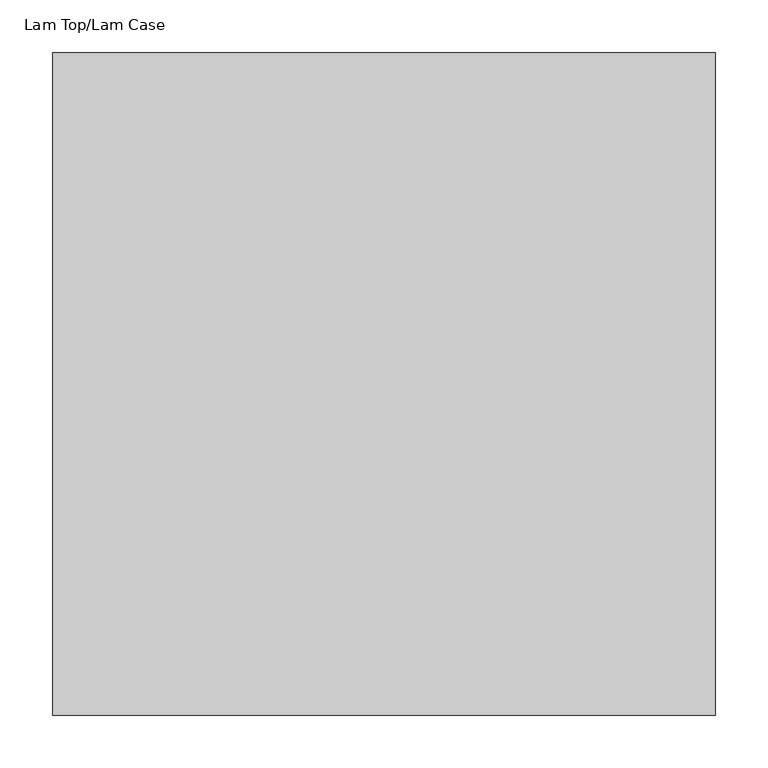
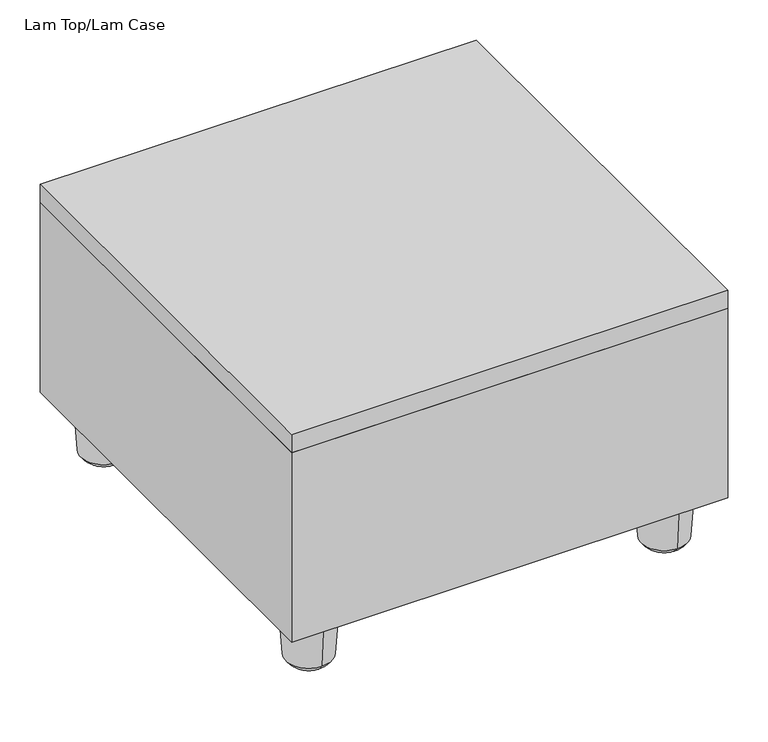
"""IFC4 building model written with IfcOpenShell, lengths in millimetres: furniture geometry, Lam Top/Lam Case."""

import ifcopenshell
import ifcopenshell.guid

model = None  # the IFC model being written
_history = None  # IfcOwnerHistory: only IFC2X3 demands one
_inside = {}  # id of a spatial element -> (the spatial element, [elements in it])
_under = {}  # id of a project, library or spatial element -> (it, [spatial elements below it])
_declared = {}  # id of a project -> (the project, [libraries it declares])
_typed = {}  # id of a type object -> (the type object, [elements of that type])
_made_of = {}  # id of a material, layer set ... -> (it, [elements and type objects made of it])


def new_model(schema):
    """Start an empty IFC model of exactly this schema.

    Asked for "IFC4X3", IfcOpenShell would pick the latest addendum, in which some entities
    have other attributes; the version numbers below select the first issue.
    IFC2X3 requires an IfcOwnerHistory on every rooted entity: one is made here for all.
    """
    global model, _history
    if schema == "IFC4X3":
        model = ifcopenshell.file(schema_version=(4, 3, 0, 0))
    else:
        model = ifcopenshell.file(schema=schema)
    _inside.clear()
    _under.clear()
    _declared.clear()
    _typed.clear()
    _made_of.clear()
    _history = None
    if model.schema == "IFC2X3":
        org = make("IfcOrganization", Name="unknown")
        user = make(
            "IfcPersonAndOrganization",
            ThePerson=make("IfcPerson", FamilyName="unknown"),
            TheOrganization=org,
        )
        app = make(
            "IfcApplication",
            ApplicationDeveloper=org,
            Version="unknown",
            ApplicationFullName="unknown",
            ApplicationIdentifier="unknown",
        )
        _history = make(
            "IfcOwnerHistory",
            OwningUser=user,
            OwningApplication=app,
            ChangeAction="ADDED",
            CreationDate=0,
        )
    return model


def make(cls, **values):
    """One entity of the class cls with the attributes given. An attribute that is None is left unset."""
    return model.create_entity(
        cls, **{name: value for name, value in values.items() if value is not None}
    )


def rooted(cls, **values):
    """An entity with a GlobalId (a new one), such as an element, a storey or a relation."""
    return make(cls, GlobalId=ifcopenshell.guid.new(), OwnerHistory=_history, **values)


def si_unit(unit_type, name, prefix=None):
    """IfcSIUnit, for example si_unit("LENGTHUNIT", "METRE", prefix="MILLI")."""
    return make("IfcSIUnit", UnitType=unit_type, Prefix=prefix, Name=name)


def assignment(units):
    """IfcUnitAssignment: the units of a project."""
    return None if units is None else make("IfcUnitAssignment", Units=units)


def point(xyz):
    """IfcCartesianPoint."""
    return None if xyz is None else make("IfcCartesianPoint", Coordinates=xyz)


def direction(xyz):
    """IfcDirection."""
    return None if xyz is None else make("IfcDirection", DirectionRatios=xyz)


def frame(location, z_axis=None, x_axis=None):
    """IfcAxis2Placement3D, a coordinate frame: its origin and axes. An axis left out is left unset."""
    return make(
        "IfcAxis2Placement3D",
        Location=point(location),
        Axis=direction(z_axis),
        RefDirection=direction(x_axis),
    )


def origin():
    """The frame at (0, 0, 0) with its axes left unset."""
    return frame((0.0, 0.0, 0.0))


def place(relative_to, where):
    """IfcLocalPlacement: puts the frame where relative to a parent placement (None: the world)."""
    return make(
        "IfcLocalPlacement", PlacementRelTo=relative_to, RelativePlacement=where
    )


def context(
    kind, dimensions, precision=None, world=None, true_north=None, identifier=None
):
    """IfcGeometricRepresentationContext, for example the 3D "Model" context."""
    return make(
        "IfcGeometricRepresentationContext",
        ContextIdentifier=identifier,
        ContextType=kind,
        CoordinateSpaceDimension=dimensions,
        Precision=precision,
        WorldCoordinateSystem=world,
        TrueNorth=true_north,
    )


def project(units=None, contexts=None):
    """IfcProject with its units and contexts."""
    return rooted(
        "IfcProject",
        Name="project",
        RepresentationContexts=contexts,
        UnitsInContext=assignment(units),
    )


def spatial(cls, under=None, at=None, **own):
    """A site, building, storey or space (cls), placed at a placement, below another one or the project."""
    s = rooted(cls, ObjectPlacement=at, **own)
    if under is not None:
        _under.setdefault(under.id(), (under, []))[1].append(s)
    return s


def polyline(points):
    """IfcPolyline through the points."""
    return make("IfcPolyline", Points=[point(p) for p in points])


def circle_curve(where, radius):
    """IfcCircle in the frame where."""
    return make("IfcCircle", Position=where, Radius=radius)


def ellipse_curve(where, semi_axis1, semi_axis2):
    """IfcEllipse in the frame where."""
    return make(
        "IfcEllipse", Position=where, SemiAxis1=semi_axis1, SemiAxis2=semi_axis2
    )


def trimmed(basis, trim1, trim2, sense, master):
    """IfcTrimmedCurve: the piece of a basis curve between two trims."""
    return make(
        "IfcTrimmedCurve",
        BasisCurve=basis,
        Trim1=trim1,
        Trim2=trim2,
        SenseAgreement=sense,
        MasterRepresentation=master,
    )


def outline(outer, holes=None, kind="AREA"):
    """IfcArbitraryClosedProfileDef: a profile drawn as a closed curve; with holes, ...WithVoids."""
    if holes is None:
        return make("IfcArbitraryClosedProfileDef", ProfileType=kind, OuterCurve=outer)
    return make(
        "IfcArbitraryProfileDefWithVoids",
        ProfileType=kind,
        OuterCurve=outer,
        InnerCurves=holes,
    )


def extrude(swept, where, along, depth):
    """IfcExtrudedAreaSolid: the profile swept, set in the frame where, extruded along a direction by depth."""
    return make(
        "IfcExtrudedAreaSolid",
        SweptArea=swept,
        Position=where,
        ExtrudedDirection=direction(along),
        Depth=depth,
    )


def shape(context_of_items, identifier, shape_type, items):
    """IfcShapeRepresentation: the items that make up one representation, for example the "Body"."""
    return make(
        "IfcShapeRepresentation",
        ContextOfItems=context_of_items,
        RepresentationIdentifier=identifier,
        RepresentationType=shape_type,
        Items=items,
    )


def source(mapping_origin, context_of_items, identifier, shape_type, items):
    """IfcRepresentationMap: a shape defined once, which mapped items show again and again."""
    return make(
        "IfcRepresentationMap",
        MappingOrigin=mapping_origin,
        MappedRepresentation=shape(context_of_items, identifier, shape_type, items),
    )


def transform(
    local_origin,
    x_axis=None,
    y_axis=None,
    z_axis=None,
    scale=None,
    scale2=None,
    scale3=None,
    uniform=True,
):
    """IfcCartesianTransformationOperator3D, or its non-uniform kind. x_axis, y_axis, z_axis: its Axis1, 2, 3."""
    if uniform:
        return make(
            "IfcCartesianTransformationOperator3D",
            Axis1=direction(x_axis),
            Axis2=direction(y_axis),
            LocalOrigin=point(local_origin),
            Scale=scale,
            Axis3=direction(z_axis),
        )
    return make(
        "IfcCartesianTransformationOperator3DnonUniform",
        Axis1=direction(x_axis),
        Axis2=direction(y_axis),
        LocalOrigin=point(local_origin),
        Scale=scale,
        Axis3=direction(z_axis),
        Scale2=scale2,
        Scale3=scale3,
    )


def mapped(mapping_source, mapping_target):
    """IfcMappedItem: shows the shape of a source again, moved by a transform."""
    return make(
        "IfcMappedItem", MappingSource=mapping_source, MappingTarget=mapping_target
    )


def made_of(thing, what):
    """Note that an element or type object is made of a material, layer set ...; save() writes the relation."""
    if what is not None:
        _made_of.setdefault(what.id(), (what, []))[1].append(thing)
    return thing


def element(
    cls,
    number,
    at=None,
    inside=None,
    cuts=None,
    type_object=None,
    material=None,
    context=None,
    identifier="Body",
    shape_type=None,
    held_by="IfcProductDefinitionShape",
    body=None,
    shapes=None,
    **own,
):
    """One element of the class cls, such as IfcWall. Its Tag is "e" and its number.

    at: its placement. inside: the storey or other place that contains it. cuts: it is an
    opening in that element (IfcRelVoidsElement). A single representation is given by context,
    identifier, shape_type and body (its items); several are given by shapes. held_by: the class
    of the entity that holds the representations. save() writes the other relations.
    """
    e = rooted(cls, Tag="e%d" % number, ObjectPlacement=at, **own)
    if body is not None:
        shapes = [shape(context, identifier, shape_type, body)]
    if shapes is not None:
        e.Representation = make(held_by, Representations=shapes)
    if inside is not None:
        _inside.setdefault(inside.id(), (inside, []))[1].append(e)
    if cuts is not None:
        rooted(
            "IfcRelVoidsElement", RelatingBuildingElement=cuts, RelatedOpeningElement=e
        )
    if type_object is not None:
        _typed.setdefault(type_object.id(), (type_object, []))[1].append(e)
    return made_of(e, material)


def aggregate(whole, parts):
    """IfcRelAggregates: a whole, such as a stair, and the parts it consists of."""
    return rooted("IfcRelAggregates", RelatingObject=whole, RelatedObjects=parts)


def save(model, path):
    """Write the relations noted so far, then the file.

    IfcRelAggregates (storeys below a building ...), IfcRelContainedInSpatialStructure (elements
    in a storey), IfcRelDefinesByType, IfcRelAssociatesMaterial and IfcRelDeclares: one each for
    every whole, place, type object, material and project.
    """
    for whole, parts in _under.values():
        aggregate(whole, parts)
    for where, things in _inside.values():
        rooted(
            "IfcRelContainedInSpatialStructure",
            RelatedElements=things,
            RelatingStructure=where,
        )
    for kind, things in _typed.values():
        rooted("IfcRelDefinesByType", RelatedObjects=things, RelatingType=kind)
    for what, things in _made_of.values():
        rooted("IfcRelAssociatesMaterial", RelatedObjects=things, RelatingMaterial=what)
    for by, libraries in _declared.values():
        rooted("IfcRelDeclares", RelatingContext=by, RelatedDefinitions=libraries)
    model.write(path)


def plane_surface(at):
    """IfcPlane: the flat surface through the origin of the frame at, square to its z axis."""
    return make("IfcPlane", Position=at)


def revolved_surface(curve, axis_point, axis_direction):
    """IfcSurfaceOfRevolution: the curve turned about the line through axis_point along axis_direction."""
    return make(
        "IfcSurfaceOfRevolution",
        SweptCurve=make("IfcArbitraryOpenProfileDef", ProfileType="CURVE", Curve=curve),
        AxisPosition=make("IfcAxis1Placement", Location=point(axis_point), Axis=direction(axis_direction)),
    )


def advanced_brep(points, edges, surfaces, faces):
    """IfcAdvancedBrep: a solid bounded by faces that lie on surfaces and meet in shared edges.

    An edge is (start, end): straight between two places in points (the first is 0);
    or (start, end, curve); or (start, end, curve, False) where it runs against its curve.
    A face is (place in surfaces, loops), or (place, loops, False) where it looks against
    its surface's normal. A loop lists edges by number (the first is 1), with a minus sign
    where the edge is run from its end to its start. The first loop is the outer one.
    """
    corners = [point(p) for p in points]
    vertices = [make("IfcVertexPoint", VertexGeometry=c) for c in corners]
    made = []
    for start, end, *more in edges:
        made.append(
            make(
                "IfcEdgeCurve",
                EdgeStart=vertices[start],
                EdgeEnd=vertices[end],
                EdgeGeometry=more[0] if more else make("IfcPolyline", Points=[corners[start], corners[end]]),
                SameSense=more[1] if len(more) > 1 else True,
            )
        )
    hull = []
    for where, loops, *sense in faces:
        bounds = []
        for j, loop in enumerate(loops):
            ring = [make("IfcOrientedEdge", EdgeElement=made[abs(k) - 1], Orientation=k > 0) for k in loop]
            bounds.append(
                make(
                    "IfcFaceOuterBound" if j == 0 else "IfcFaceBound",
                    Bound=make("IfcEdgeLoop", EdgeList=ring),
                    Orientation=True,
                )
            )
        hull.append(make("IfcAdvancedFace", Bounds=bounds, FaceSurface=surfaces[where], SameSense=sense[0] if sense else True))
    return make("IfcAdvancedBrep", Outer=make("IfcClosedShell", CfsFaces=hull))


def lam_top_lam_case_39d11140(model_context):
    return source(origin(), model_context, "Body", "SolidModel", [
        extrude(outline(polyline([(314.2614864, 314.2614864), (314.2614864, -314.2615228), (-314.2615228, -314.2615228), (-314.2615228, 314.2614864), (314.2614864, 314.2614864)])), frame((0.0, 0.0, 379.6525895), z_axis=(0.0, 0.0, 1.0), x_axis=(1.0, 0.0, 0.0)), (0.0, 0.0, 1.0), 27.2808203),
        extrude(outline(polyline([(314.2614864, 314.2614864), (314.2614864, -314.2615228), (-314.2615228, -314.2615228), (-314.2615228, 314.2614864), (314.2614864, 314.2614864)])), frame((0.0, 0.0, 90.4240046), z_axis=(0.0, 0.0, 1.0), x_axis=(1.0, 0.0, 0.0)), (0.0, 0.0, 1.0), 289.2285849),
        advanced_brep(
        [(-255.3853971, 290.6804747, 16.9889191), (-255.3853971, 224.5374995, 16.9889191), (-255.3853971, 219.5089871, 88.899997), (-255.3853971, 295.7089871, 88.899997), (-255.3853971, 257.6089871, 0.0), (-255.3853971, 257.6089871, 88.899997)],
        [
            (0, 1, circle_curve(frame((-255.3853971, 257.6089871, 16.9889191), z_axis=(0.0, 0.0, 1.0), x_axis=(0.0, -1.0, 0.0)), 33.0714876)),
            (1, 2),
            (2, 3, circle_curve(frame((-255.3853971, 257.6089871, 88.899997), z_axis=(0.0, 0.0, -1.0), x_axis=(0.0, -1.0, 0.0)), 38.1)),
            (3, 0),
            (1, 0, circle_curve(frame((-255.3853971, 257.6089871, 16.9889191), z_axis=(0.0, 0.0, 1.0), x_axis=(0.0, -1.0, 0.0)), 33.0714876)),
            (3, 2, circle_curve(frame((-255.3853971, 257.6089871, 88.899997), z_axis=(0.0, 0.0, -1.0), x_axis=(0.0, -1.0, 0.0)), 38.1)),
            (4, 1, circle_curve(frame((-255.3853971, 255.6717107, 36.9125731), z_axis=(-1.0, 0.0, 0.0), x_axis=(0.0, -1.0, 0.0)), 36.963375)),
            (0, 4, circle_curve(frame((-255.3853971, 259.5462635, 36.9125731), z_axis=(-1.0, 0.0, 0.0), x_axis=(0.0, 1.0, 0.0)), 36.963375)),
            (2, 5),
            (5, 3),
        ],
        [
            revolved_surface(polyline([(-255.3853971, 219.5089871, 88.899997), (-255.3853971, 224.5374995, 16.9889191)]), (-255.3853971, 257.6089871, 31.75), (0.0, 0.0, -1.0)),
            revolved_surface(trimmed(ellipse_curve(frame((-255.3853971, 255.6717107, 36.9125731), z_axis=(1.0, 0.0, 0.0), x_axis=(0.0, -1.0, 0.0)), 36.963375, 36.963375), [point((-255.3853971, 224.5374995, 16.9889191))], [point((-255.3853971, 257.6089871, 0.0))], True, "CARTESIAN"), (-255.3853971, 257.6089871, 31.75), (0.0, 0.0, -1.0)),
            plane_surface(frame((-255.3853971, 257.6089871, 88.899997), z_axis=(0.0, 0.0, 1.0), x_axis=(0.0, -1.0, 0.0))),
        ],
        [
            (0, [[1, 2, 3, 4]]),
            (0, [[5, -4, 6, -2]]),
            (1, [[7, -1, 8]]),
            (1, [[-8, -5, -7]]),
            (2, [[-3, 9, 10]]),
            (2, [[-6, -10, -9]]),
        ],
    ),
        advanced_brep(
        [(-255.3853971, -221.369951, 16.9889191), (-255.3853971, -287.5129262, 16.9889191), (-255.3853971, -292.5414386, 88.899997), (-255.3853971, -216.3414386, 88.899997), (-255.3853971, -254.4414386, 0.0), (-255.3853971, -254.4414386, 88.899997)],
        [
            (0, 1, circle_curve(frame((-255.3853971, -254.4414386, 16.9889191), z_axis=(0.0, 0.0, 1.0), x_axis=(0.0, -1.0, 0.0)), 33.0714876)),
            (1, 2),
            (2, 3, circle_curve(frame((-255.3853971, -254.4414386, 88.899997), z_axis=(0.0, 0.0, -1.0), x_axis=(0.0, -1.0, 0.0)), 38.1)),
            (3, 0),
            (1, 0, circle_curve(frame((-255.3853971, -254.4414386, 16.9889191), z_axis=(0.0, 0.0, 1.0), x_axis=(0.0, -1.0, 0.0)), 33.0714876)),
            (3, 2, circle_curve(frame((-255.3853971, -254.4414386, 88.899997), z_axis=(0.0, 0.0, -1.0), x_axis=(0.0, -1.0, 0.0)), 38.1)),
            (4, 1, circle_curve(frame((-255.3853971, -256.378715, 36.9125731), z_axis=(-1.0, 0.0, 0.0), x_axis=(0.0, -1.0, 0.0)), 36.963375)),
            (0, 4, circle_curve(frame((-255.3853971, -252.5041622, 36.9125731), z_axis=(-1.0, 0.0, 0.0), x_axis=(0.0, 1.0, 0.0)), 36.963375)),
            (2, 5),
            (5, 3),
        ],
        [
            revolved_surface(polyline([(-255.3853971, -292.5414386, 88.899997), (-255.3853971, -287.5129262, 16.9889191)]), (-255.3853971, -254.4414386, 31.75), (0.0, 0.0, -1.0)),
            revolved_surface(trimmed(ellipse_curve(frame((-255.3853971, -256.378715, 36.9125731), z_axis=(1.0, 0.0, 0.0), x_axis=(0.0, -1.0, 0.0)), 36.963375, 36.963375), [point((-255.3853971, -287.5129262, 16.9889191))], [point((-255.3853971, -254.4414386, 0.0))], True, "CARTESIAN"), (-255.3853971, -254.4414386, 31.75), (0.0, 0.0, -1.0)),
            plane_surface(frame((-255.3853971, -254.4414386, 88.899997), z_axis=(0.0, 0.0, 1.0), x_axis=(0.0, -1.0, 0.0))),
        ],
        [
            (0, [[1, 2, 3, 4]]),
            (0, [[5, -4, 6, -2]]),
            (1, [[7, -1, 8]]),
            (1, [[-8, -5, -7]]),
            (2, [[-3, 9, 10]]),
            (2, [[-6, -10, -9]]),
        ],
    ),
        advanced_brep(
        [(256.9513355, 290.6804747, 16.9889191), (256.9513355, 224.5374995, 16.9889191), (256.9513355, 219.5089871, 88.899997), (256.9513355, 295.7089871, 88.899997), (256.9513355, 257.6089871, 0.0), (256.9513355, 257.6089871, 88.899997)],
        [
            (0, 1, circle_curve(frame((256.9513355, 257.6089871, 16.9889191), z_axis=(0.0, 0.0, 1.0), x_axis=(0.0, -1.0, 0.0)), 33.0714876)),
            (1, 2),
            (2, 3, circle_curve(frame((256.9513355, 257.6089871, 88.899997), z_axis=(0.0, 0.0, -1.0), x_axis=(0.0, -1.0, 0.0)), 38.1)),
            (3, 0),
            (1, 0, circle_curve(frame((256.9513355, 257.6089871, 16.9889191), z_axis=(0.0, 0.0, 1.0), x_axis=(0.0, -1.0, 0.0)), 33.0714876)),
            (3, 2, circle_curve(frame((256.9513355, 257.6089871, 88.899997), z_axis=(0.0, 0.0, -1.0), x_axis=(0.0, -1.0, 0.0)), 38.1)),
            (4, 1, circle_curve(frame((256.9513355, 255.6717107, 36.9125731), z_axis=(-1.0, 0.0, 0.0), x_axis=(0.0, -1.0, 0.0)), 36.963375)),
            (0, 4, circle_curve(frame((256.9513355, 259.5462635, 36.9125731), z_axis=(-1.0, 0.0, 0.0), x_axis=(0.0, 1.0, 0.0)), 36.963375)),
            (2, 5),
            (5, 3),
        ],
        [
            revolved_surface(polyline([(256.9513355, 219.5089871, 88.899997), (256.9513355, 224.5374995, 16.9889191)]), (256.9513355, 257.6089871, 31.75), (0.0, 0.0, -1.0)),
            revolved_surface(trimmed(ellipse_curve(frame((256.9513355, 255.6717107, 36.9125731), z_axis=(1.0, 0.0, 0.0), x_axis=(0.0, -1.0, 0.0)), 36.963375, 36.963375), [point((256.9513355, 224.5374995, 16.9889191))], [point((256.9513355, 257.6089871, 0.0))], True, "CARTESIAN"), (256.9513355, 257.6089871, 31.75), (0.0, 0.0, -1.0)),
            plane_surface(frame((256.9513355, 257.6089871, 88.899997), z_axis=(0.0, 0.0, 1.0), x_axis=(0.0, -1.0, 0.0))),
        ],
        [
            (0, [[1, 2, 3, 4]]),
            (0, [[5, -4, 6, -2]]),
            (1, [[7, -1, 8]]),
            (1, [[-8, -5, -7]]),
            (2, [[-3, 9, 10]]),
            (2, [[-6, -10, -9]]),
        ],
    ),
        advanced_brep(
        [(256.9513355, -221.369951, 16.9889191), (256.9513355, -287.5129262, 16.9889191), (256.9513355, -292.5414386, 88.899997), (256.9513355, -216.3414386, 88.899997), (256.9513355, -254.4414386, 0.0), (256.9513355, -254.4414386, 88.899997)],
        [
            (0, 1, circle_curve(frame((256.9513355, -254.4414386, 16.9889191), z_axis=(0.0, 0.0, 1.0), x_axis=(0.0, -1.0, 0.0)), 33.0714876)),
            (1, 2),
            (2, 3, circle_curve(frame((256.9513355, -254.4414386, 88.899997), z_axis=(0.0, 0.0, -1.0), x_axis=(0.0, -1.0, 0.0)), 38.1)),
            (3, 0),
            (1, 0, circle_curve(frame((256.9513355, -254.4414386, 16.9889191), z_axis=(0.0, 0.0, 1.0), x_axis=(0.0, -1.0, 0.0)), 33.0714876)),
            (3, 2, circle_curve(frame((256.9513355, -254.4414386, 88.899997), z_axis=(0.0, 0.0, -1.0), x_axis=(0.0, -1.0, 0.0)), 38.1)),
            (4, 1, circle_curve(frame((256.9513355, -256.378715, 36.9125731), z_axis=(-1.0, 0.0, 0.0), x_axis=(0.0, -1.0, 0.0)), 36.963375)),
            (0, 4, circle_curve(frame((256.9513355, -252.5041622, 36.9125731), z_axis=(-1.0, 0.0, 0.0), x_axis=(0.0, 1.0, 0.0)), 36.963375)),
            (2, 5),
            (5, 3),
        ],
        [
            revolved_surface(polyline([(256.9513355, -292.5414386, 88.899997), (256.9513355, -287.5129262, 16.9889191)]), (256.9513355, -254.4414386, 31.75), (0.0, 0.0, -1.0)),
            revolved_surface(trimmed(ellipse_curve(frame((256.9513355, -256.378715, 36.9125731), z_axis=(1.0, 0.0, 0.0), x_axis=(0.0, -1.0, 0.0)), 36.963375, 36.963375), [point((256.9513355, -287.5129262, 16.9889191))], [point((256.9513355, -254.4414386, 0.0))], True, "CARTESIAN"), (256.9513355, -254.4414386, 31.75), (0.0, 0.0, -1.0)),
            plane_surface(frame((256.9513355, -254.4414386, 88.899997), z_axis=(0.0, 0.0, 1.0), x_axis=(0.0, -1.0, 0.0))),
        ],
        [
            (0, [[1, 2, 3, 4]]),
            (0, [[5, -4, 6, -2]]),
            (1, [[7, -1, 8]]),
            (1, [[-8, -5, -7]]),
            (2, [[-3, 9, 10]]),
            (2, [[-6, -10, -9]]),
        ],
    ),
    ])


if __name__ == "__main__":
    model = new_model("IFC4")
    model_context = context("Model", 3, world=origin())
    ifc_project = project(units=[si_unit("LENGTHUNIT", "METRE", prefix="MILLI")], contexts=[model_context])
    site = spatial("IfcSite", under=ifc_project)
    building = spatial("IfcBuilding", under=site)
    placement = place(None, origin())
    lam_top_lam_case_shape = lam_top_lam_case_39d11140(model_context)
    element("IfcFurniture", 1, ObjectType="Lam Top/Lam Case", at=placement, inside=building, context=model_context, shape_type="MappedRepresentation", body=[
        mapped(lam_top_lam_case_shape, transform((0.0, 0.0, 0.0), x_axis=(1.0, 0.0, 0.0), y_axis=(0.0, 1.0, 0.0), z_axis=(0.0, 0.0, 1.0))),
    ])
    save(model, "model.ifc")
